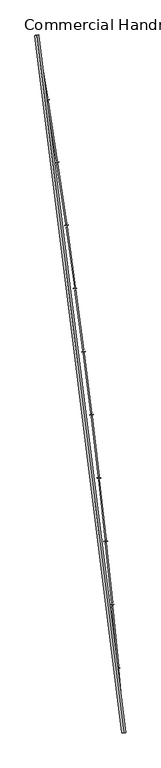
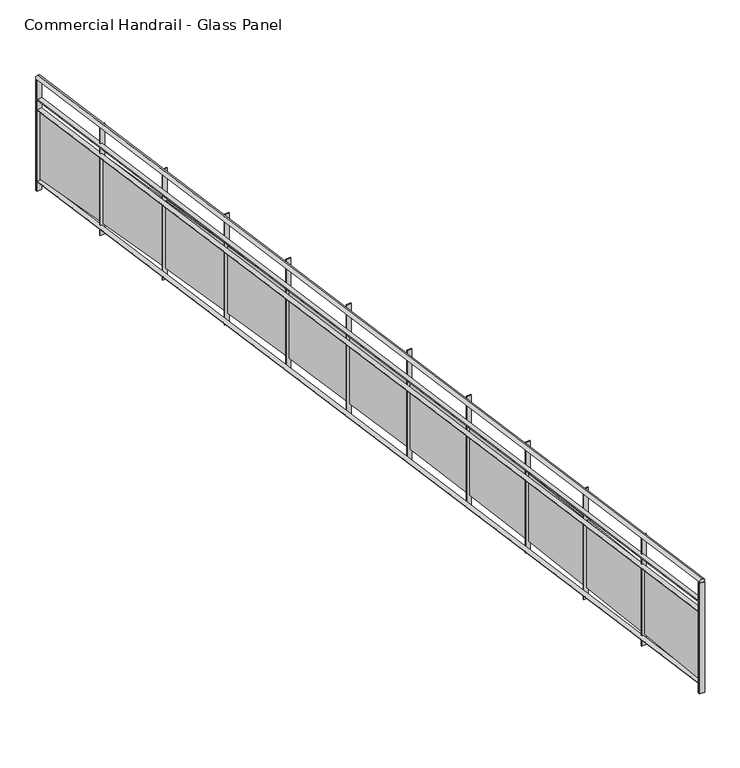
"""IFC4 building model written with IfcOpenShell, lengths in millimetres: railing geometry, Commercial Handrail - Glass Panel."""

from ifc_helpers import new_model, si_unit, point, frame, origin, place, context, project, spatial, polyline, circle_curve, ellipse_curve, trimmed, outline, extrude, source, transform, mapped, element, save
from ifc_brep_helpers import plane_surface, cylinder_surface, revolved_surface, advanced_brep


def commercial_handrail_glass_panel_7213b5f0(model_context):
    return source(origin(), model_context, "Body", "SolidModel", [
        advanced_brep(
        [(155415.1518736, -49813.1101198, 9482.5), (156507.3198577, -58575.9102119, 9482.5), (156507.3198577, -58575.9102119, 9517.5), (155415.1518736, -49813.1101198, 9517.5)],
        [
            (0, 1, circle_curve(frame((49774.785812, -67429.2570352, 9482.5), z_axis=(0.0, 0.0, -1.0), x_axis=(0.9965773914870409, 0.08266500333808188, 0.0)), 107099.0923108)),
            (1, 2, ellipse_curve(frame((156507.3198577, -58575.9102119, 9500.0), z_axis=(-0.08266500333808835, 0.9965773914870406, 0.0), x_axis=(0.9965773914870404, 0.08266500333808834, 0.0)), 25.0, 17.5)),
            (2, 3, circle_curve(frame((49774.785812, -67429.2570352, 9517.5), z_axis=(0.0, 0.0, 1.0), x_axis=(0.9965773914870409, 0.08266500333808188, 0.0)), 107099.0923108)),
            (3, 0, ellipse_curve(frame((155415.1518736, -49813.1101198, 9500.0), z_axis=(0.16448455850891983, -0.9863796581500077, 0.0), x_axis=(0.9863796581500075, 0.1644845585089198, 0.0)), 25.0, 17.5)),
            (2, 1, ellipse_curve(frame((156507.3198577, -58575.9102119, 9500.0), z_axis=(-0.08266500333808835, 0.9965773914870406, 0.0), x_axis=(0.9965773914870404, 0.08266500333808834, 0.0)), 25.0, 17.5)),
            (0, 3, ellipse_curve(frame((155415.1518736, -49813.1101198, 9500.0), z_axis=(0.16448455850891983, -0.9863796581500077, 0.0), x_axis=(0.9863796581500075, 0.1644845585089198, 0.0)), 25.0, 17.5)),
        ],
        [
            revolved_surface(trimmed(ellipse_curve(frame((156507.3198577, -58575.9102119, 9500.0), z_axis=(0.08266500333808188, -0.9965773914870409, 0.0), x_axis=(0.0, 0.0, -1.0)), 17.5, 25.0), [point((156507.3198577, -58575.9102119, 9517.5))], [point((156507.3198577, -58575.9102119, 9482.5))], True, "CARTESIAN"), (49774.785812, -67429.2570352, 9500.0), (0.0, 0.0, 1.0)),
            revolved_surface(trimmed(ellipse_curve(frame((156507.3198577, -58575.9102119, 9500.0), z_axis=(0.08266500333808188, -0.9965773914870409, 0.0), x_axis=(0.0, 0.0, -1.0)), 17.5, 25.0), [point((156507.3198577, -58575.9102119, 9482.5))], [point((156507.3198577, -58575.9102119, 9517.5))], True, "CARTESIAN"), (49774.785812, -67429.2570352, 9500.0), (0.0, 0.0, 1.0)),
            plane_surface(frame((156507.3198577, -58575.9102119, 9500.0), z_axis=(0.08266500333808188, -0.9965773914870409, 0.0), x_axis=(0.9965773914870409, 0.08266500333808188, 0.0))),
            plane_surface(frame((155415.1518736, -49813.1101198, 9500.0), z_axis=(-0.16448455850891983, 0.9863796581500076, 0.0), x_axis=(0.9863796581500076, 0.16448455850891983, 0.0))),
        ],
        [
            (0, [[1, 2, 3, 4]]),
            (1, [[-3, 5, -1, 6]]),
            (2, [[-2, -5]]),
            (3, [[-6, -4]]),
        ],
    ),
        advanced_brep(
        [(155392.9583313, -49816.8110224, 9300.0), (156484.8968663, -58577.7701744, 9300.0), (156529.742849, -58574.0502493, 9300.0), (155437.3454159, -49809.4092172, 9300.0), (155392.9583313, -49816.8110224, 9294.0), (156484.8968663, -58577.7701744, 9294.0), (155437.3454159, -49809.4092172, 9294.0), (156529.742849, -58574.0502493, 9294.0)],
        [
            (0, 1, circle_curve(frame((49774.785812, -67429.2570352, 9300.0), z_axis=(0.0, 0.0, -1.0), x_axis=(0.9965773914870409, 0.08266500333808188, 0.0)), 107076.5923108)),
            (1, 2),
            (2, 3, circle_curve(frame((49774.785812, -67429.2570352, 9300.0), z_axis=(0.0, 0.0, 1.0), x_axis=(0.9965773914870409, 0.08266500333808188, 0.0)), 107121.5923108)),
            (3, 0),
            (4, 5, circle_curve(frame((49774.785812, -67429.2570352, 9294.0), z_axis=(0.0, 0.0, -1.0), x_axis=(0.9965773914870409, 0.08266500333808188, 0.0)), 107076.5923108)),
            (5, 1),
            (0, 4),
            (6, 7, circle_curve(frame((49774.785812, -67429.2570352, 9294.0), z_axis=(0.0, 0.0, -1.0), x_axis=(0.9965773914870409, 0.08266500333808188, 0.0)), 107121.5923108)),
            (7, 5),
            (4, 6),
            (2, 7),
            (6, 3),
        ],
        [
            plane_surface(frame((49774.785812, -67429.2570352, 9300.0), z_axis=(0.0, 0.0, 1.0), x_axis=(0.9965773914870409, 0.08266500333808188, 0.0))),
            revolved_surface(polyline([(156484.89686641842, -58577.77017439729, 9300.0), (156484.89686641842, -58577.77017439729, 9294.0)]), (49774.785812, -67429.2570352, 9300.0), (0.0, 0.0, 1.0)),
            plane_surface(frame((49774.785812, -67429.2570352, 9294.0), z_axis=(0.0, 0.0, -1.0), x_axis=(0.9965773914870409, 0.08266500333808188, 0.0))),
            cylinder_surface(frame((49774.785812, -67429.2570352, 9300.0), z_axis=(0.0, 0.0, 1.0), x_axis=(0.9965773914870409, 0.08266500333808188, 0.0)), 107121.5923108),
            plane_surface(frame((156507.3198577, -58575.9102119, 9300.0), z_axis=(0.08266500333808188, -0.9965773914870409, 0.0), x_axis=(0.9965773914870409, 0.08266500333808188, 0.0))),
            plane_surface(frame((155415.1518736, -49813.1101198, 9300.0), z_axis=(-0.16448455850891983, 0.9863796581500076, 0.0), x_axis=(0.9863796581500076, 0.16448455850891983, 0.0))),
        ],
        [
            (0, [[1, 2, 3, 4]]),
            (1, [[5, 6, -1, 7]]),
            (2, [[8, 9, -5, 10]]),
            (3, [[-3, 11, -8, 12]]),
            (4, [[-2, -6, -9, -11]]),
            (5, [[-12, -10, -7, -4]]),
        ],
    ),
        advanced_brep(
        [(155392.9583313, -49816.8110224, 9200.0), (156484.8968663, -58577.7701744, 9200.0), (156529.742849, -58574.0502493, 9200.0), (155437.3454159, -49809.4092172, 9200.0), (155392.9583313, -49816.8110224, 9194.0), (156484.8968663, -58577.7701744, 9194.0), (155437.3454159, -49809.4092172, 9194.0), (156529.742849, -58574.0502493, 9194.0)],
        [
            (0, 1, circle_curve(frame((49774.785812, -67429.2570352, 9200.0), z_axis=(0.0, 0.0, -1.0), x_axis=(0.9965773914870409, 0.08266500333808188, 0.0)), 107076.5923108)),
            (1, 2),
            (2, 3, circle_curve(frame((49774.785812, -67429.2570352, 9200.0), z_axis=(0.0, 0.0, 1.0), x_axis=(0.9965773914870409, 0.08266500333808188, 0.0)), 107121.5923108)),
            (3, 0),
            (4, 5, circle_curve(frame((49774.785812, -67429.2570352, 9194.0), z_axis=(0.0, 0.0, -1.0), x_axis=(0.9965773914870409, 0.08266500333808188, 0.0)), 107076.5923108)),
            (5, 1),
            (0, 4),
            (6, 7, circle_curve(frame((49774.785812, -67429.2570352, 9194.0), z_axis=(0.0, 0.0, -1.0), x_axis=(0.9965773914870409, 0.08266500333808188, 0.0)), 107121.5923108)),
            (7, 5),
            (4, 6),
            (2, 7),
            (6, 3),
        ],
        [
            plane_surface(frame((49774.785812, -67429.2570352, 9200.0), z_axis=(0.0, 0.0, 1.0), x_axis=(0.9965773914870409, 0.08266500333808188, 0.0))),
            revolved_surface(polyline([(156484.89686641842, -58577.77017439729, 9200.0), (156484.89686641842, -58577.77017439729, 9194.0)]), (49774.785812, -67429.2570352, 9200.0), (0.0, 0.0, 1.0)),
            plane_surface(frame((49774.785812, -67429.2570352, 9194.0), z_axis=(0.0, 0.0, -1.0), x_axis=(0.9965773914870409, 0.08266500333808188, 0.0))),
            cylinder_surface(frame((49774.785812, -67429.2570352, 9200.0), z_axis=(0.0, 0.0, 1.0), x_axis=(0.9965773914870409, 0.08266500333808188, 0.0)), 107121.5923108),
            plane_surface(frame((156507.3198577, -58575.9102119, 9200.0), z_axis=(0.08266500333808188, -0.9965773914870409, 0.0), x_axis=(0.9965773914870409, 0.08266500333808188, 0.0))),
            plane_surface(frame((155415.1518736, -49813.1101198, 9200.0), z_axis=(-0.16448455850891983, 0.9863796581500076, 0.0), x_axis=(0.9863796581500076, 0.16448455850891983, 0.0))),
        ],
        [
            (0, [[1, 2, 3, 4]]),
            (1, [[5, 6, -1, 7]]),
            (2, [[8, 9, -5, 10]]),
            (3, [[-3, 11, -8, 12]]),
            (4, [[-2, -6, -9, -11]]),
            (5, [[-12, -10, -7, -4]]),
        ],
    ),
        advanced_brep(
        [(155392.9583313, -49816.8110224, 8500.0), (156484.8968663, -58577.7701744, 8500.0), (156529.742849, -58574.0502493, 8500.0), (155437.3454159, -49809.4092172, 8500.0), (155392.9583313, -49816.8110224, 8494.0), (156484.8968663, -58577.7701744, 8494.0), (155437.3454159, -49809.4092172, 8494.0), (156529.742849, -58574.0502493, 8494.0)],
        [
            (0, 1, circle_curve(frame((49774.785812, -67429.2570352, 8500.0), z_axis=(0.0, 0.0, -1.0), x_axis=(0.9965773914870409, 0.08266500333808188, 0.0)), 107076.5923108)),
            (1, 2),
            (2, 3, circle_curve(frame((49774.785812, -67429.2570352, 8500.0), z_axis=(0.0, 0.0, 1.0), x_axis=(0.9965773914870409, 0.08266500333808188, 0.0)), 107121.5923108)),
            (3, 0),
            (4, 5, circle_curve(frame((49774.785812, -67429.2570352, 8494.0), z_axis=(0.0, 0.0, -1.0), x_axis=(0.9965773914870409, 0.08266500333808188, 0.0)), 107076.5923108)),
            (5, 1),
            (0, 4),
            (6, 7, circle_curve(frame((49774.785812, -67429.2570352, 8494.0), z_axis=(0.0, 0.0, -1.0), x_axis=(0.9965773914870409, 0.08266500333808188, 0.0)), 107121.5923108)),
            (7, 5),
            (4, 6),
            (2, 7),
            (6, 3),
        ],
        [
            plane_surface(frame((49774.785812, -67429.2570352, 8500.0), z_axis=(0.0, 0.0, 1.0), x_axis=(0.9965773914870409, 0.08266500333808188, 0.0))),
            revolved_surface(polyline([(156484.89686641842, -58577.77017439729, 8500.0), (156484.89686641842, -58577.77017439729, 8494.0)]), (49774.785812, -67429.2570352, 8500.0), (0.0, 0.0, 1.0)),
            plane_surface(frame((49774.785812, -67429.2570352, 8494.0), z_axis=(0.0, 0.0, -1.0), x_axis=(0.9965773914870409, 0.08266500333808188, 0.0))),
            cylinder_surface(frame((49774.785812, -67429.2570352, 8500.0), z_axis=(0.0, 0.0, 1.0), x_axis=(0.9965773914870409, 0.08266500333808188, 0.0)), 107121.5923108),
            plane_surface(frame((156507.3198577, -58575.9102119, 8500.0), z_axis=(0.08266500333808188, -0.9965773914870409, 0.0), x_axis=(0.9965773914870409, 0.08266500333808188, 0.0))),
            plane_surface(frame((155415.1518736, -49813.1101198, 8500.0), z_axis=(-0.16448455850891983, 0.9863796581500076, 0.0), x_axis=(0.9863796581500076, 0.16448455850891983, 0.0))),
        ],
        [
            (0, [[1, 2, 3, 4]]),
            (1, [[5, 6, -1, 7]]),
            (2, [[8, 9, -5, 10]]),
            (3, [[-3, 11, -8, 12]]),
            (4, [[-2, -6, -9, -11]]),
            (5, [[-12, -10, -7, -4]]),
        ],
    ),
        extrude(outline(polyline([(155440.5602167, -49828.6983042), (155396.1719887, -49836.0932495), (155395.185996, -49830.1748191), (155439.574224, -49822.7798738), (155440.5602167, -49828.6983042)])), frame((0.0, 0.0, 8400.0), z_axis=(0.0, 0.0, 1.0), x_axis=(1.0, 0.0, 0.0)), (0.0, 0.0, 1.0), 1082.1192282),
        extrude(outline(polyline([(155537.9927324, -50600.148842), (155415.9010924, -49850.0197655), (155427.7452357, -49848.0920027), (155549.8368757, -50598.2210792), (155537.9927324, -50600.148842)])), frame((0.0, 0.0, 8520.0), z_axis=(0.0, 0.0, 1.0), x_axis=(1.0, 0.0, 0.0)), (0.0, 0.0, 1.0), 660.0),
        extrude(outline(polyline([(155569.0823153, -50618.4755081), (155524.640088, -50625.5386825), (155523.6983314, -50619.6130522), (155568.1405587, -50612.5498778), (155569.0823153, -50618.4755081)])), frame((0.0, 0.0, 8400.0), z_axis=(0.0, 0.0, 1.0), x_axis=(1.0, 0.0, 0.0)), (0.0, 0.0, 1.0), 1082.1192282),
        extrude(outline(polyline([(155660.7496486, -51390.6323103), (155544.2646152, -50639.6121795), (155556.1228277, -50637.7729421), (155672.6078612, -51388.793073), (155660.7496486, -51390.6323103)])), frame((0.0, 0.0, 8520.0), z_axis=(0.0, 0.0, 1.0), x_axis=(1.0, 0.0, 0.0)), (0.0, 0.0, 1.0), 660.0),
        extrude(outline(polyline([(155691.7014704, -51409.1906934), (155647.2077235, -51415.921703), (155646.3102556, -51409.9892034), (155690.8040025, -51403.2581938), (155691.7014704, -51409.1906934)])), frame((0.0, 0.0, 8400.0), z_axis=(0.0, 0.0, 1.0), x_axis=(1.0, 0.0, 0.0)), (0.0, 0.0, 1.0), 1082.1192282),
        extrude(outline(polyline([(155777.5985065, -52182.0106766), (155666.7265791, -51430.1413956), (155678.5981993, -51428.3907863), (155789.4701268, -52180.2600673), (155777.5985065, -52182.0106766)])), frame((0.0, 0.0, 8520.0), z_axis=(0.0, 0.0, 1.0), x_axis=(1.0, 0.0, 0.0)), (0.0, 0.0, 1.0), 660.0),
        extrude(outline(polyline([(155808.4108402, -52200.7997412), (155763.8680564, -52207.1982104), (155763.0149272, -52201.2591725), (155807.557711, -52194.8607033), (155808.4108402, -52200.7997412)])), frame((0.0, 0.0, 8400.0), z_axis=(0.0, 0.0, 1.0), x_axis=(1.0, 0.0, 0.0)), (0.0, 0.0, 1.0), 1082.1192282),
        extrude(outline(polyline([(155888.5327865, -52974.2397848), (155783.2801513, -52221.5633053), (155795.1645168, -52219.9014216), (155900.4171519, -52972.5779011), (155888.5327865, -52974.2397848)])), frame((0.0, 0.0, 8520.0), z_axis=(0.0, 0.0, 1.0), x_axis=(1.0, 0.0, 0.0)), (0.0, 0.0, 1.0), 660.0),
        extrude(outline(polyline([(155919.2039129, -52993.2584824), (155874.6145774, -52999.3240542), (155873.8058345, -52993.3788094), (155918.39517, -52987.3132377), (155919.2039129, -52993.2584824)])), frame((0.0, 0.0, 8400.0), z_axis=(0.0, 0.0, 1.0), x_axis=(1.0, 0.0, 0.0)), (0.0, 0.0, 1.0), 1082.1192282),
        extrude(outline(polyline([(155993.5462987, -53767.2754312), (155893.9188285, -53013.8337498), (155905.8152761, -53012.2606845), (156005.4427463, -53765.7023659), (155993.5462987, -53767.2754312)])), frame((0.0, 0.0, 8520.0), z_axis=(0.0, 0.0, 1.0), x_axis=(1.0, 0.0, 0.0)), (0.0, 0.0, 1.0), 660.0),
        extrude(outline(polyline([(156024.0745064, -53786.5227008), (155979.4411072, -53792.2550367), (155978.6767957, -53786.3039168), (156023.3101949, -53780.5715809), (156024.0745064, -53786.5227008)])), frame((0.0, 0.0, 8400.0), z_axis=(0.0, 0.0, 1.0), x_axis=(1.0, 0.0, 0.0)), (0.0, 0.0, 1.0), 1082.1192282),
        extrude(outline(polyline([(156092.6331838, -54561.0733673), (155998.6364375, -53806.9085235), (156010.5443034, -53805.4243644), (156104.5410497, -54559.5892082), (156092.6331838, -54561.0733673)])), frame((0.0, 0.0, 8520.0), z_axis=(0.0, 0.0, 1.0), x_axis=(1.0, 0.0, 0.0)), (0.0, 0.0, 1.0), 660.0),
        extrude(outline(polyline([(156123.0167695, -54580.548135), (156078.3417969, -54585.9469151), (156077.6219596, -54579.9902521), (156122.2969321, -54574.591472), (156123.0167695, -54580.548135)])), frame((0.0, 0.0, 8400.0), z_axis=(0.0, 0.0, 1.0), x_axis=(1.0, 0.0, 0.0)), (0.0, 0.0, 1.0), 1082.1192282),
        extrude(outline(polyline([(156185.787913, -55355.5893021), (156097.4271353, -54600.7433755), (156109.3457552, -54599.3482053), (156197.7065329, -55354.194132), (156185.787913, -55355.5893021)])), frame((0.0, 0.0, 8520.0), z_axis=(0.0, 0.0, 1.0), x_axis=(1.0, 0.0, 0.0)), (0.0, 0.0, 1.0), 660.0),
        extrude(outline(polyline([(156216.0251814, -55375.2904812), (156171.3111282, -55380.3554043), (156170.6358051, -55374.3935306), (156215.3498583, -55369.3286074), (156216.0251814, -55375.2904812)])), frame((0.0, 0.0, 8400.0), z_axis=(0.0, 0.0, 1.0), x_axis=(1.0, 0.0, 0.0)), (0.0, 0.0, 1.0), 1082.1192282),
        extrude(outline(polyline([(156273.0052888, -56150.7789044), (156190.2854098, -55395.2940127), (156202.2141186, -55393.9879094), (156284.9339976, -56149.4728011), (156273.0052888, -56150.7789044)])), frame((0.0, 0.0, 8520.0), z_axis=(0.0, 0.0, 1.0), x_axis=(1.0, 0.0, 0.0)), (0.0, 0.0, 1.0), 660.0),
        extrude(outline(polyline([(156303.0945527, -56170.7053956), (156258.3439138, -56175.4361792), (156257.7131426, -56169.4694274), (156302.4637816, -56164.7386437), (156303.0945527, -56170.7053956)])), frame((0.0, 0.0, 8400.0), z_axis=(0.0, 0.0, 1.0), x_axis=(1.0, 0.0, 0.0)), (0.0, 0.0, 1.0), 1082.1192282),
        extrude(outline(polyline([(156354.2804446, -56946.5978055), (156277.2060799, -56190.5161021), (156289.144212, -56189.2991384), (156366.2185768, -56945.3808418), (156354.2804446, -56946.5978055)])), frame((0.0, 0.0, 8520.0), z_axis=(0.0, 0.0, 1.0), x_axis=(1.0, 0.0, 0.0)), (0.0, 0.0, 1.0), 660.0),
        extrude(outline(polyline([(156384.2200253, -56966.748497), (156339.4352975, -56971.1448771), (156338.8491135, -56965.17358), (156383.6338412, -56960.7771999), (156384.2200253, -56966.748497)])), frame((0.0, 0.0, 8400.0), z_axis=(0.0, 0.0, 1.0), x_axis=(1.0, 0.0, 0.0)), (0.0, 0.0, 1.0), 1082.1192282),
        extrude(outline(polyline([(156429.6088457, -57743.0016015), (156358.1842956, -56986.3652729), (156370.131185, -56985.2375169), (156441.5557351, -57741.8738454), (156429.6088457, -57743.0016015)])), frame((0.0, 0.0, 8520.0), z_axis=(0.0, 0.0, 1.0), x_axis=(1.0, 0.0, 0.0)), (0.0, 0.0, 1.0), 660.0),
        extrude(outline(polyline([(156459.3970725, -57763.3753689), (156414.5807547, -57767.4371002), (156414.0391905, -57761.4615912), (156458.8555083, -57757.3998599), (156459.3970725, -57763.3753689)])), frame((0.0, 0.0, 8400.0), z_axis=(0.0, 0.0, 1.0), x_axis=(1.0, 0.0, 0.0)), (0.0, 0.0, 1.0), 1082.1192282),
        extrude(outline(polyline([(156498.9862889, -58539.9458559), (156433.2155387, -57782.7971199), (156445.1705188, -57781.7586343), (156510.9412689, -58538.9073703), (156498.9862889, -58539.9458559)])), frame((0.0, 0.0, 8520.0), z_axis=(0.0, 0.0, 1.0), x_axis=(1.0, 0.0, 0.0)), (0.0, 0.0, 1.0), 660.0),
        extrude(outline(polyline([(156528.6214998, -58560.5415625), (156483.7760926, -58564.2684183), (156483.2791785, -58558.2890307), (156528.1245856, -58554.5621749), (156528.6214998, -58560.5415625)])), frame((0.0, 0.0, 8400.0), z_axis=(0.0, 0.0, 1.0), x_axis=(1.0, 0.0, 0.0)), (0.0, 0.0, 1.0), 1082.1192282),
        extrude(outline(polyline([(155437.8388696, -49812.3683562), (155393.451785, -49819.7701613), (155392.4648776, -49813.8518834), (155436.8519623, -49806.4500783), (155437.8388696, -49812.3683562)])), frame((0.0, 0.0, 8400.0), z_axis=(0.0, 0.0, 1.0), x_axis=(1.0, 0.0, 0.0)), (0.0, 0.0, 1.0), 1082.1192282),
        extrude(outline(polyline([(156529.990844, -58577.0399815), (156485.1448614, -58580.7599066), (156484.6488713, -58574.7804423), (156529.494854, -58571.0605171), (156529.990844, -58577.0399815)])), frame((0.0, 0.0, 8400.0), z_axis=(0.0, 0.0, 1.0), x_axis=(1.0, 0.0, 0.0)), (0.0, 0.0, 1.0), 1082.1192282),
    ])


if __name__ == "__main__":
    model = new_model("IFC4")
    model_context = context("Model", 3, world=origin())
    ifc_project = project(units=[si_unit("LENGTHUNIT", "METRE", prefix="MILLI")], contexts=[model_context])
    site = spatial("IfcSite", under=ifc_project)
    building = spatial("IfcBuilding", under=site)
    placement = place(None, origin())
    commercial_handrail_glass_panel_shape = commercial_handrail_glass_panel_7213b5f0(model_context)
    element("IfcRailing", 1, ObjectType="Commercial Handrail - Glass Panel", at=placement, inside=building, context=model_context, shape_type="MappedRepresentation", body=[
        mapped(commercial_handrail_glass_panel_shape, transform((0.0, 0.0, 0.0), x_axis=(1.0, 0.0, 0.0), y_axis=(0.0, 1.0, 0.0), z_axis=(0.0, 0.0, 1.0))),
    ])
    save(model, "model.ifc")
